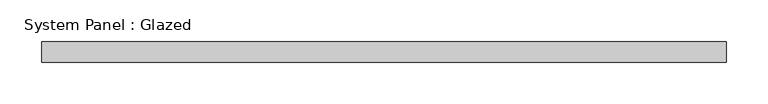
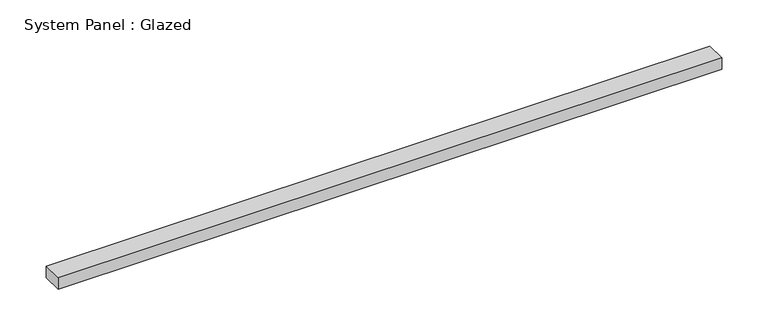
"""IFC4 building model written with IfcOpenShell, lengths in millimetres: plate geometry, System Panel : Glazed."""

from ifc_helpers import new_model, si_unit, origin, origin_with_axes, place, context, project, spatial, polyline, outline, extrude, source, transform, mapped, element, save


def system_panel_glazed_8e2ce9c2(model_context):
    return source(origin(), model_context, "Body", "SweptSolid", [
        extrude(outline(polyline([(412.5, -49.5), (-412.5, -49.5), (-412.5, -24.5), (412.5, -24.5), (412.5, -49.5)])), origin_with_axes(), (0.0, 0.0, 1.0), 15.0),
    ])


if __name__ == "__main__":
    model = new_model("IFC4")
    model_context = context("Model", 3, world=origin())
    ifc_project = project(units=[si_unit("LENGTHUNIT", "METRE", prefix="MILLI")], contexts=[model_context])
    site = spatial("IfcSite", under=ifc_project)
    building = spatial("IfcBuilding", under=site)
    placement = place(None, origin())
    system_panel_glazed_shape = system_panel_glazed_8e2ce9c2(model_context)
    element("IfcPlate", 1, ObjectType="System Panel : Glazed", at=placement, inside=building, context=model_context, shape_type="MappedRepresentation", body=[
        mapped(system_panel_glazed_shape, transform((0.0, 0.0, 0.0), x_axis=(1.0, 0.0, 0.0), y_axis=(0.0, 1.0, 0.0), z_axis=(0.0, 0.0, 1.0))),
    ])
    save(model, "model.ifc")
